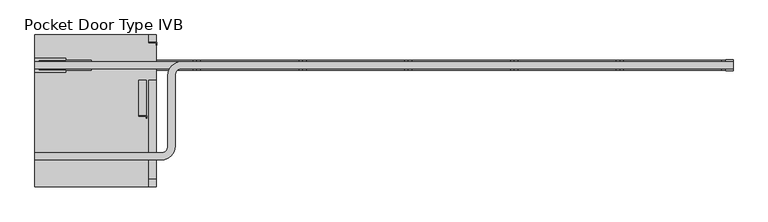
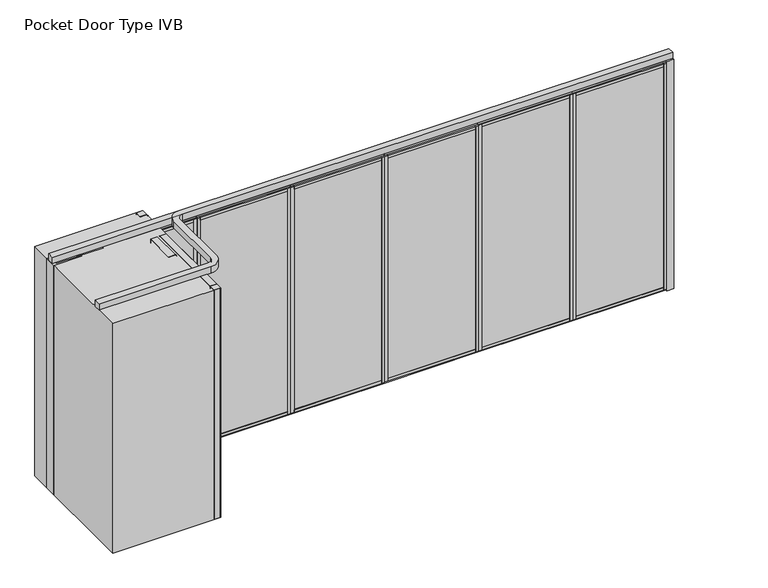
"""IFC4 building model written with IfcOpenShell, lengths in millimetres: proxy geometry, Pocket Door Type IVB."""

from ifc_helpers import new_model, si_unit, point, frame, frame_2d, origin, origin_with_axes, place, context, project, spatial, polyline, circle_curve, trimmed, segment, composite_curve, outline, extrude, source, transform, mapped, element, save


def pocket_door_type_ivb_529089bf(model_context):
    return source(origin(), model_context, "Body", "SweptSolid", [
        extrude(outline(polyline([(3361.736883, 34.13125), (4423.2452164, 34.13125), (4423.2452164, -34.13125), (3361.736883, -34.13125), (3361.736883, 34.13125)])), origin_with_axes(), (0.0, 0.0, 1.0), 22.225),
        extrude(outline(polyline([(3361.736883, 34.13125), (4423.2452164, 34.13125), (4423.2452164, -34.13125), (3361.736883, -34.13125), (3361.736883, 34.13125)])), frame((0.0, 0.0, 2720.975), z_axis=(0.0, 0.0, 1.0), x_axis=(1.0, 0.0, 0.0)), (0.0, 0.0, 1.0), 22.225),
        extrude(outline(polyline([(3396.915883, -50.8), (3361.990883, -50.8), (3361.990883, 50.8), (3396.915883, 50.8), (3396.915883, -50.8)])), frame((0.0, 0.0, 22.225), z_axis=(0.0, 0.0, 1.0), x_axis=(1.0, 0.0, 0.0)), (0.0, 0.0, 1.0), 2698.75),
        extrude(outline(polyline([(4388.0662164, -50.8), (4388.0662164, 50.8), (4422.9912164, 50.8), (4422.9912164, -50.8), (4388.0662164, -50.8)])), frame((0.0, 0.0, 22.225), z_axis=(0.0, 0.0, 1.0), x_axis=(1.0, 0.0, 0.0)), (0.0, 0.0, 1.0), 2698.75),
        extrude(outline(polyline([(0.0, 9.525), (1036.1083334, 9.525), (1036.1083334, 0.0), (0.0, 0.0), (0.0, 9.525)])), frame((4410.5452164, -36.5125, 52.3875), z_axis=(0.0, 1.4530598946293796e-12, 1.0), x_axis=(-1.0, 0.0, 0.0)), (0.0, 0.0, 1.0), 2638.425),
        extrude(outline(polyline([(0.0, 7.9375), (1036.1083334, 7.9375), (1036.1083334, 0.0), (0.0, 0.0), (0.0, 7.9375)])), frame((4410.5452164, 44.45, 52.3875), z_axis=(0.0, -1.775646296664526e-12, 1.0), x_axis=(-1.0, 0.0, 0.0)), (0.0, 0.0, 1.0), 2638.425),
        extrude(outline(polyline([(36.5125, 2605.0875), (-36.5125, 2605.0875), (-36.5125, 2690.8125), (-50.8, 2690.8125), (-50.8, 2720.975), (50.8, 2720.975), (50.8, 2690.8125), (36.5125, 2690.8125), (36.5125, 2605.0875)])), frame((3396.915883, 0.0, 0.0), z_axis=(1.0, 0.0, 0.0), x_axis=(0.0, 1.0, 0.0)), (0.0, 0.0, 1.0), 991.1503333),
        extrude(outline(polyline([(50.8, 22.225), (-50.8, 22.225), (-50.8, 52.3875), (-36.5125, 52.3875), (-36.5125, 138.1125), (36.5125, 138.1125), (36.5125, 52.3875), (50.8, 52.3875), (50.8, 22.225)])), frame((3396.915883, 0.0, 0.0), z_axis=(1.0, 0.0, 0.0), x_axis=(0.0, 1.0, 0.0)), (0.0, 0.0, 1.0), 991.1503333),
        extrude(outline(polyline([(2300.2285497, 34.13125), (3361.736883, 34.13125), (3361.736883, -34.13125), (2300.2285497, -34.13125), (2300.2285497, 34.13125)])), origin_with_axes(), (0.0, 0.0, 1.0), 22.225),
        extrude(outline(polyline([(2300.2285497, 34.13125), (3361.736883, 34.13125), (3361.736883, -34.13125), (2300.2285497, -34.13125), (2300.2285497, 34.13125)])), frame((0.0, 0.0, 2720.975), z_axis=(0.0, 0.0, 1.0), x_axis=(1.0, 0.0, 0.0)), (0.0, 0.0, 1.0), 22.225),
        extrude(outline(polyline([(2335.4075497, -50.8), (2300.4825497, -50.8), (2300.4825497, 50.8), (2335.4075497, 50.8), (2335.4075497, -50.8)])), frame((0.0, 0.0, 22.225), z_axis=(0.0, 0.0, 1.0), x_axis=(1.0, 0.0, 0.0)), (0.0, 0.0, 1.0), 2698.75),
        extrude(outline(polyline([(3326.557883, -50.8), (3326.557883, 50.8), (3361.482883, 50.8), (3361.482883, -50.8), (3326.557883, -50.8)])), frame((0.0, 0.0, 22.225), z_axis=(0.0, 0.0, 1.0), x_axis=(1.0, 0.0, 0.0)), (0.0, 0.0, 1.0), 2698.75),
        extrude(outline(polyline([(0.0, 9.525), (1036.1083333, 9.525), (1036.1083333, 0.0), (0.0, 0.0), (0.0, 9.525)])), frame((3349.036883, -36.5125, 52.3875), z_axis=(0.0, 1.4530598946293796e-12, 1.0), x_axis=(-1.0, 0.0, 0.0)), (0.0, 0.0, 1.0), 2638.425),
        extrude(outline(polyline([(0.0, 7.9375), (1036.1083333, 7.9375), (1036.1083333, 0.0), (0.0, 0.0), (0.0, 7.9375)])), frame((3349.036883, 44.45, 52.3875), z_axis=(0.0, -1.775646296664526e-12, 1.0), x_axis=(-1.0, 0.0, 0.0)), (0.0, 0.0, 1.0), 2638.425),
        extrude(outline(polyline([(36.5125, 2605.0875), (-36.5125, 2605.0875), (-36.5125, 2690.8125), (-50.8, 2690.8125), (-50.8, 2720.975), (50.8, 2720.975), (50.8, 2690.8125), (36.5125, 2690.8125), (36.5125, 2605.0875)])), frame((2335.4075497, 0.0, 0.0), z_axis=(1.0, 0.0, 0.0), x_axis=(0.0, 1.0, 0.0)), (0.0, 0.0, 1.0), 991.1503333),
        extrude(outline(polyline([(50.8, 22.225), (-50.8, 22.225), (-50.8, 52.3875), (-36.5125, 52.3875), (-36.5125, 138.1125), (36.5125, 138.1125), (36.5125, 52.3875), (50.8, 52.3875), (50.8, 22.225)])), frame((2335.4075497, 0.0, 0.0), z_axis=(1.0, 0.0, 0.0), x_axis=(0.0, 1.0, 0.0)), (0.0, 0.0, 1.0), 991.1503333),
        extrude(outline(polyline([(1238.7202164, 34.13125), (2300.2285497, 34.13125), (2300.2285497, -34.13125), (1238.7202164, -34.13125), (1238.7202164, 34.13125)])), origin_with_axes(), (0.0, 0.0, 1.0), 22.225),
        extrude(outline(polyline([(1238.7202164, 34.13125), (2300.2285497, 34.13125), (2300.2285497, -34.13125), (1238.7202164, -34.13125), (1238.7202164, 34.13125)])), frame((0.0, 0.0, 2720.975), z_axis=(0.0, 0.0, 1.0), x_axis=(1.0, 0.0, 0.0)), (0.0, 0.0, 1.0), 22.225),
        extrude(outline(polyline([(1273.8992164, -50.8), (1238.9742164, -50.8), (1238.9742164, 50.8), (1273.8992164, 50.8), (1273.8992164, -50.8)])), frame((0.0, 0.0, 22.225), z_axis=(0.0, 0.0, 1.0), x_axis=(1.0, 0.0, 0.0)), (0.0, 0.0, 1.0), 2698.75),
        extrude(outline(polyline([(2265.0495497, -50.8), (2265.0495497, 50.8), (2299.9745497, 50.8), (2299.9745497, -50.8), (2265.0495497, -50.8)])), frame((0.0, 0.0, 22.225), z_axis=(0.0, 0.0, 1.0), x_axis=(1.0, 0.0, 0.0)), (0.0, 0.0, 1.0), 2698.75),
        extrude(outline(polyline([(0.0, 9.525), (1036.1083333, 9.525), (1036.1083333, 0.0), (0.0, 0.0), (0.0, 9.525)])), frame((2287.5285497, -36.5125, 52.3875), z_axis=(0.0, 1.4530598946293796e-12, 1.0), x_axis=(-1.0, 0.0, 0.0)), (0.0, 0.0, 1.0), 2638.425),
        extrude(outline(polyline([(0.0, 7.9375), (1036.1083333, 7.9375), (1036.1083333, 0.0), (0.0, 0.0), (0.0, 7.9375)])), frame((2287.5285497, 44.45, 52.3875), z_axis=(0.0, -1.775646296664526e-12, 1.0), x_axis=(-1.0, 0.0, 0.0)), (0.0, 0.0, 1.0), 2638.425),
        extrude(outline(polyline([(36.5125, 2605.0875), (-36.5125, 2605.0875), (-36.5125, 2690.8125), (-50.8, 2690.8125), (-50.8, 2720.975), (50.8, 2720.975), (50.8, 2690.8125), (36.5125, 2690.8125), (36.5125, 2605.0875)])), frame((1273.8992164, 0.0, 0.0), z_axis=(1.0, 0.0, 0.0), x_axis=(0.0, 1.0, 0.0)), (0.0, 0.0, 1.0), 991.1503333),
        extrude(outline(polyline([(50.8, 22.225), (-50.8, 22.225), (-50.8, 52.3875), (-36.5125, 52.3875), (-36.5125, 138.1125), (36.5125, 138.1125), (36.5125, 52.3875), (50.8, 52.3875), (50.8, 22.225)])), frame((1273.8992164, 0.0, 0.0), z_axis=(1.0, 0.0, 0.0), x_axis=(0.0, 1.0, 0.0)), (0.0, 0.0, 1.0), 991.1503333),
        extrude(outline(polyline([(177.211883, 34.13125), (1238.7202164, 34.13125), (1238.7202164, -34.13125), (177.211883, -34.13125), (177.211883, 34.13125)])), origin_with_axes(), (0.0, 0.0, 1.0), 22.225),
        extrude(outline(polyline([(177.211883, 34.13125), (1238.7202164, 34.13125), (1238.7202164, -34.13125), (177.211883, -34.13125), (177.211883, 34.13125)])), frame((0.0, 0.0, 2720.975), z_axis=(0.0, 0.0, 1.0), x_axis=(1.0, 0.0, 0.0)), (0.0, 0.0, 1.0), 22.225),
        extrude(outline(polyline([(212.390883, -50.8), (177.465883, -50.8), (177.465883, 50.8), (212.390883, 50.8), (212.390883, -50.8)])), frame((0.0, 0.0, 22.225), z_axis=(0.0, 0.0, 1.0), x_axis=(1.0, 0.0, 0.0)), (0.0, 0.0, 1.0), 2698.75),
        extrude(outline(polyline([(1203.5412164, -50.8), (1203.5412164, 50.8), (1238.4662164, 50.8), (1238.4662164, -50.8), (1203.5412164, -50.8)])), frame((0.0, 0.0, 22.225), z_axis=(0.0, 0.0, 1.0), x_axis=(1.0, 0.0, 0.0)), (0.0, 0.0, 1.0), 2698.75),
        extrude(outline(polyline([(0.0, 9.525), (1036.1083334, 9.525), (1036.1083334, 0.0), (0.0, 0.0), (0.0, 9.525)])), frame((1226.0202164, -36.5125, 52.3875), z_axis=(0.0, 1.4530598946293796e-12, 1.0), x_axis=(-1.0, 0.0, 0.0)), (0.0, 0.0, 1.0), 2638.425),
        extrude(outline(polyline([(0.0, 7.9375), (1036.1083334, 7.9375), (1036.1083334, 0.0), (0.0, 0.0), (0.0, 7.9375)])), frame((1226.0202164, 44.45, 52.3875), z_axis=(0.0, -1.775646296664526e-12, 1.0), x_axis=(-1.0, 0.0, 0.0)), (0.0, 0.0, 1.0), 2638.425),
        extrude(outline(polyline([(36.5125, 2605.0875), (-36.5125, 2605.0875), (-36.5125, 2690.8125), (-50.8, 2690.8125), (-50.8, 2720.975), (50.8, 2720.975), (50.8, 2690.8125), (36.5125, 2690.8125), (36.5125, 2605.0875)])), frame((212.390883, 0.0, 0.0), z_axis=(1.0, 0.0, 0.0), x_axis=(0.0, 1.0, 0.0)), (0.0, 0.0, 1.0), 991.1503333),
        extrude(outline(polyline([(50.8, 22.225), (-50.8, 22.225), (-50.8, 52.3875), (-36.5125, 52.3875), (-36.5125, 138.1125), (36.5125, 138.1125), (36.5125, 52.3875), (50.8, 52.3875), (50.8, 22.225)])), frame((212.390883, 0.0, 0.0), z_axis=(1.0, 0.0, 0.0), x_axis=(0.0, 1.0, 0.0)), (0.0, 0.0, 1.0), 991.1503333),
        extrude(outline(polyline([(4423.2452164, 34.13125), (5484.7535497, 34.13125), (5484.7535497, -34.13125), (4423.2452164, -34.13125), (4423.2452164, 34.13125)])), origin_with_axes(), (0.0, 0.0, 1.0), 22.225),
        extrude(outline(polyline([(4423.2452164, 34.13125), (5484.7535497, 34.13125), (5484.7535497, -34.13125), (4423.2452164, -34.13125), (4423.2452164, 34.13125)])), frame((0.0, 0.0, 2720.975), z_axis=(0.0, 0.0, 1.0), x_axis=(1.0, 0.0, 0.0)), (0.0, 0.0, 1.0), 22.225),
        extrude(outline(polyline([(4458.4242164, -50.8), (4423.4992164, -50.8), (4423.4992164, 50.8), (4458.4242164, 50.8), (4458.4242164, -50.8)])), frame((0.0, 0.0, 22.225), z_axis=(0.0, 0.0, 1.0), x_axis=(1.0, 0.0, 0.0)), (0.0, 0.0, 1.0), 2698.75),
        extrude(outline(polyline([(5449.5745497, -50.8), (5449.5745497, 50.8), (5484.4995497, 50.8), (5484.4995497, -50.8), (5449.5745497, -50.8)])), frame((0.0, 0.0, 22.225), z_axis=(0.0, 0.0, 1.0), x_axis=(1.0, 0.0, 0.0)), (0.0, 0.0, 1.0), 2698.75),
        extrude(outline(polyline([(0.0, 9.525), (1036.1083333, 9.525), (1036.1083333, 0.0), (0.0, 0.0), (0.0, 9.525)])), frame((5472.0535497, -36.5125, 52.3875), z_axis=(0.0, 1.4530598946293796e-12, 1.0), x_axis=(-1.0, 0.0, 0.0)), (0.0, 0.0, 1.0), 2638.425),
        extrude(outline(polyline([(0.0, 7.9375), (1036.1083333, 7.9375), (1036.1083333, 0.0), (0.0, 0.0), (0.0, 7.9375)])), frame((5472.0535497, 44.45, 52.3875), z_axis=(0.0, -1.775646296664526e-12, 1.0), x_axis=(-1.0, 0.0, 0.0)), (0.0, 0.0, 1.0), 2638.425),
        extrude(outline(polyline([(36.5125, 2605.0875), (-36.5125, 2605.0875), (-36.5125, 2690.8125), (-50.8, 2690.8125), (-50.8, 2720.975), (50.8, 2720.975), (50.8, 2690.8125), (36.5125, 2690.8125), (36.5125, 2605.0875)])), frame((4458.4242164, 0.0, 0.0), z_axis=(1.0, 0.0, 0.0), x_axis=(0.0, 1.0, 0.0)), (0.0, 0.0, 1.0), 991.1503333),
        extrude(outline(polyline([(50.8, 22.225), (-50.8, 22.225), (-50.8, 52.3875), (-36.5125, 52.3875), (-36.5125, 138.1125), (36.5125, 138.1125), (36.5125, 52.3875), (50.8, 52.3875), (50.8, 22.225)])), frame((4458.4242164, 0.0, 0.0), z_axis=(1.0, 0.0, 0.0), x_axis=(0.0, 1.0, 0.0)), (0.0, 0.0, 1.0), 991.1503333),
        extrude(outline(polyline([(-331.8464503, -511.175), (-408.0464503, -511.175), (-408.0464503, -508.0), (-328.6714503, -508.0), (-328.6714503, -533.4), (-331.8464503, -533.4), (-331.8464503, -511.175)])), origin_with_axes(), (0.0, 0.0, 1.0), 2743.2),
        extrude(outline(composite_curve([segment(polyline([(-408.0464503, -505.6667931), (-408.0464503, -154.7332069)]), True, "CONTINUOUS"), segment(trimmed(circle_curve(frame_2d((-405.7132434, -154.7332069)), 2.3332069), [point((-408.0464503, -154.7332069))], [point((-405.7132434, -152.4))], False, "CARTESIAN"), True, "CONTINUOUS"), segment(polyline([(-405.7132434, -152.4), (-334.1796571, -152.4)]), True, "CONTINUOUS"), segment(trimmed(circle_curve(frame_2d((-334.1796571, -154.7332069)), 2.3332069), [point((-334.1796571, -152.4))], [point((-331.8464503, -154.7332069))], False, "CARTESIAN"), True, "CONTINUOUS"), segment(polyline([(-331.8464503, -154.7332069), (-331.8464503, -505.6667931)]), True, "CONTINUOUS"), segment(trimmed(circle_curve(frame_2d((-334.1796571, -505.6667931)), 2.3332069), [point((-331.8464503, -505.6667931))], [point((-334.1796571, -508.0))], False, "CARTESIAN"), True, "CONTINUOUS"), segment(polyline([(-334.1796571, -508.0), (-405.7132434, -508.0)]), True, "CONTINUOUS"), segment(trimmed(circle_curve(frame_2d((-405.7132434, -505.6667931)), 2.3332069), [point((-405.7132434, -508.0))], [point((-408.0464503, -505.6667931))], False, "CARTESIAN"), True, "CONTINUOUS")], self_intersect=False)), origin_with_axes(), (0.0, 0.0, 1.0), 2743.2),
        extrude(outline(polyline([(-230.2464503, 225.425), (-306.4464503, 225.425), (-306.4464503, 228.6), (-227.0714503, 228.6), (-227.0714503, 203.2), (-230.2464503, 203.2), (-230.2464503, 225.425)])), origin_with_axes(), (0.0, 0.0, 1.0), 2743.2),
        extrude(outline(composite_curve([segment(polyline([(-230.2464503, 302.4667931), (-230.2464503, 230.9332069)]), True, "CONTINUOUS"), segment(trimmed(circle_curve(frame_2d((-232.5796571, 230.9332069)), 2.3332069), [point((-230.2464503, 230.9332069))], [point((-232.5796571, 228.6))], False, "CARTESIAN"), True, "CONTINUOUS"), segment(polyline([(-232.5796571, 228.6), (-304.1132434, 228.6)]), True, "CONTINUOUS"), segment(trimmed(circle_curve(frame_2d((-304.1132434, 230.9332069)), 2.3332069), [point((-304.1132434, 228.6))], [point((-306.4464503, 230.9332069))], False, "CARTESIAN"), True, "CONTINUOUS"), segment(polyline([(-306.4464503, 230.9332069), (-306.4464503, 302.4667931)]), True, "CONTINUOUS"), segment(trimmed(circle_curve(frame_2d((-304.1132434, 302.4667931)), 2.3332069), [point((-306.4464503, 302.4667931))], [point((-304.1132434, 304.8))], False, "CARTESIAN"), True, "CONTINUOUS"), segment(polyline([(-304.1132434, 304.8), (-232.5796571, 304.8)]), True, "CONTINUOUS"), segment(trimmed(circle_curve(frame_2d((-232.5796571, 302.4667931)), 2.3332069), [point((-232.5796571, 304.8))], [point((-230.2464503, 302.4667931))], False, "CARTESIAN"), True, "CONTINUOUS")], self_intersect=False)), origin_with_axes(), (0.0, 0.0, 1.0), 2743.2),
        extrude(outline(composite_curve([segment(polyline([(-230.2464503, -1145.3332069), (-230.2464503, -1216.8667931)]), True, "CONTINUOUS"), segment(trimmed(circle_curve(frame_2d((-232.5796571, -1216.8667931)), 2.3332069), [point((-230.2464503, -1216.8667931))], [point((-232.5796571, -1219.2))], False, "CARTESIAN"), True, "CONTINUOUS"), segment(polyline([(-232.5796571, -1219.2), (-304.1132434, -1219.2)]), True, "CONTINUOUS"), segment(trimmed(circle_curve(frame_2d((-304.1132434, -1216.8667931)), 2.3332069), [point((-304.1132434, -1219.2))], [point((-306.4464503, -1216.8667931))], False, "CARTESIAN"), True, "CONTINUOUS"), segment(polyline([(-306.4464503, -1216.8667931), (-306.4464503, -1145.3332069)]), True, "CONTINUOUS"), segment(trimmed(circle_curve(frame_2d((-304.1132434, -1145.3332069)), 2.3332069), [point((-306.4464503, -1145.3332069))], [point((-304.1132434, -1143.0))], False, "CARTESIAN"), True, "CONTINUOUS"), segment(polyline([(-304.1132434, -1143.0), (-232.5796571, -1143.0)]), True, "CONTINUOUS"), segment(trimmed(circle_curve(frame_2d((-232.5796571, -1145.3332069)), 2.3332069), [point((-232.5796571, -1143.0))], [point((-230.2464503, -1145.3332069))], False, "CARTESIAN"), True, "CONTINUOUS")], self_intersect=False)), origin_with_axes(), (0.0, 0.0, 1.0), 2743.2),
        extrude(outline(composite_curve([segment(polyline([(-230.2464503, -154.7332069), (-230.2464503, -1140.6667931)]), True, "CONTINUOUS"), segment(trimmed(circle_curve(frame_2d((-232.5796571, -1140.6667931)), 2.3332069), [point((-230.2464503, -1140.6667931))], [point((-232.5796571, -1143.0))], False, "CARTESIAN"), True, "CONTINUOUS"), segment(polyline([(-232.5796571, -1143.0), (-304.1132434, -1143.0)]), True, "CONTINUOUS"), segment(trimmed(circle_curve(frame_2d((-304.1132434, -1140.6667931)), 2.3332069), [point((-304.1132434, -1143.0))], [point((-306.4464503, -1140.6667931))], False, "CARTESIAN"), True, "CONTINUOUS"), segment(polyline([(-306.4464503, -1140.6667931), (-306.4464503, -154.7332069)]), True, "CONTINUOUS"), segment(trimmed(circle_curve(frame_2d((-304.1132434, -154.7332069)), 2.3332069), [point((-306.4464503, -154.7332069))], [point((-304.1132434, -152.4))], False, "CARTESIAN"), True, "CONTINUOUS"), segment(polyline([(-304.1132434, -152.4), (-232.5796571, -152.4)]), True, "CONTINUOUS"), segment(trimmed(circle_curve(frame_2d((-232.5796571, -154.7332069)), 2.3332069), [point((-232.5796571, -152.4))], [point((-230.2464503, -154.7332069))], False, "CARTESIAN"), True, "CONTINUOUS")], self_intersect=False)), origin_with_axes(), (0.0, 0.0, 1.0), 2743.2),
        extrude(outline(polyline([(-1138.2964503, -68.2625), (-1449.4464503, -68.2625), (-1449.4464503, 68.2625), (-1138.2964503, 68.2625), (-1138.2964503, 50.8), (-1411.3464503, 50.8), (-1411.3464503, -50.8), (-1138.2964503, -50.8), (-1138.2964503, -68.2625)])), origin_with_axes(), (0.0, 0.0, 1.0), 2743.2),
        extrude(outline(polyline([(-884.2964503, -50.8), (-1182.7464503, -50.8), (-1182.7464503, 50.8), (-884.2964503, 50.8), (-884.2964503, -50.8)])), origin_with_axes(), (0.0, 0.0, 1.0), 2743.2),
        extrude(outline(polyline([(5560.9535497, -53.975), (5484.7535497, -53.975), (5484.7535497, 53.975), (5560.9535497, 53.975), (5560.9535497, -53.975)])), origin_with_axes(), (0.0, 0.0, 1.0), 2743.2),
        extrude(outline(polyline([(-884.2964503, 34.13125), (177.211883, 34.13125), (177.211883, -34.13125), (-884.2964503, -34.13125), (-884.2964503, 34.13125)])), origin_with_axes(), (0.0, 0.0, 1.0), 22.225),
        extrude(outline(polyline([(-884.2964503, 34.13125), (177.211883, 34.13125), (177.211883, -34.13125), (-884.2964503, -34.13125), (-884.2964503, 34.13125)])), frame((0.0, 0.0, 2720.975), z_axis=(0.0, 0.0, 1.0), x_axis=(1.0, 0.0, 0.0)), (0.0, 0.0, 1.0), 22.225),
        extrude(outline(polyline([(-849.1174503, -50.8), (-884.0424503, -50.8), (-884.0424503, 50.8), (-849.1174503, 50.8), (-849.1174503, -50.8)])), frame((0.0, 0.0, 22.225), z_axis=(0.0, 0.0, 1.0), x_axis=(1.0, 0.0, 0.0)), (0.0, 0.0, 1.0), 2698.75),
        extrude(outline(polyline([(142.032883, -50.8), (142.032883, 50.8), (176.957883, 50.8), (176.957883, -50.8), (142.032883, -50.8)])), frame((0.0, 0.0, 22.225), z_axis=(0.0, 0.0, 1.0), x_axis=(1.0, 0.0, 0.0)), (0.0, 0.0, 1.0), 2698.75),
        extrude(outline(polyline([(0.0, 9.525), (1036.1083333, 9.525), (1036.1083333, 0.0), (0.0, 0.0), (0.0, 9.525)])), frame((164.511883, -36.5125, 52.3875), z_axis=(0.0, 1.4530598946293796e-12, 1.0), x_axis=(-1.0, 0.0, 0.0)), (0.0, 0.0, 1.0), 2638.425),
        extrude(outline(polyline([(0.0, 7.9375), (1036.1083333, 7.9375), (1036.1083333, 0.0), (0.0, 0.0), (0.0, 7.9375)])), frame((164.511883, 44.45, 52.3875), z_axis=(0.0, -1.775646296664526e-12, 1.0), x_axis=(-1.0, 0.0, 0.0)), (0.0, 0.0, 1.0), 2638.425),
        extrude(outline(polyline([(36.5125, 2605.0875), (-36.5125, 2605.0875), (-36.5125, 2690.8125), (-50.8, 2690.8125), (-50.8, 2720.975), (50.8, 2720.975), (50.8, 2690.8125), (36.5125, 2690.8125), (36.5125, 2605.0875)])), frame((-849.1174503, 0.0, 0.0), z_axis=(1.0, 0.0, 0.0), x_axis=(0.0, 1.0, 0.0)), (0.0, 0.0, 1.0), 991.1503333),
        extrude(outline(polyline([(50.8, 22.225), (-50.8, 22.225), (-50.8, 52.3875), (-36.5125, 52.3875), (-36.5125, 138.1125), (36.5125, 138.1125), (36.5125, 52.3875), (50.8, 52.3875), (50.8, 22.225)])), frame((-849.1174503, 0.0, 0.0), z_axis=(1.0, 0.0, 0.0), x_axis=(0.0, 1.0, 0.0)), (0.0, 0.0, 1.0), 991.1503333),
        extrude(outline(composite_curve([segment(polyline([(5560.9535497, -35.71875), (23.7535497, -35.71875)]), True, "CONTINUOUS"), segment(trimmed(circle_curve(frame_2d((23.7535497, -101.6)), 65.88125), [point((23.7535497, -35.71875))], [point((-42.1277003, -101.6))], True, "CARTESIAN"), True, "CONTINUOUS"), segment(polyline([(-42.1277003, -101.6), (-42.1277003, -812.8)]), True, "CONTINUOUS"), segment(trimmed(circle_curve(frame_2d((-179.4464503, -812.8)), 137.31875), [point((-42.1277003, -812.8))], [point((-179.4464503, -950.11875))], False, "CARTESIAN"), True, "CONTINUOUS"), segment(polyline([(-179.4464503, -950.11875), (-1449.4464503, -950.11875), (-1449.4464503, -878.68125), (-179.4464503, -878.68125)]), True, "CONTINUOUS"), segment(trimmed(circle_curve(frame_2d((-179.4464503, -812.8)), 65.88125), [point((-179.4464503, -878.68125))], [point((-113.5652003, -812.8))], True, "CARTESIAN"), True, "CONTINUOUS"), segment(polyline([(-113.5652003, -812.8), (-113.5652003, -101.6)]), True, "CONTINUOUS"), segment(trimmed(circle_curve(frame_2d((23.7535497, -101.6)), 137.31875), [point((-113.5652003, -101.6))], [point((23.7535497, 35.71875))], False, "CARTESIAN"), True, "CONTINUOUS"), segment(polyline([(23.7535497, 35.71875), (5560.9535497, 35.71875), (5560.9535497, -35.71875)]), True, "CONTINUOUS")], self_intersect=False)), frame((0.0, 0.0, 2743.2), z_axis=(0.0, 0.0, 1.0), x_axis=(1.0, 0.0, 0.0)), (0.0, 0.0, 1.0), 74.6125),
        extrude(outline(polyline([(177.211883, -35.71875), (-1449.4464503, -35.71875), (-1449.4464503, 35.71875), (177.211883, 35.71875), (177.211883, -35.71875)])), frame((0.0, 0.0, 2743.2), z_axis=(0.0, 0.0, 1.0), x_axis=(1.0, 0.0, 0.0)), (0.0, 0.0, 1.0), 74.6125),
        extrude(outline(polyline([(-230.2464503, 304.8), (-230.2464503, -1219.2), (-1449.4464503, -1219.2), (-1449.4464503, 304.8), (-230.2464503, 304.8)])), origin_with_axes(), (0.0, 0.0, 1.0), 2743.2),
    ])


if __name__ == "__main__":
    model = new_model("IFC4")
    model_context = context("Model", 3, world=origin())
    ifc_project = project(units=[si_unit("LENGTHUNIT", "METRE", prefix="MILLI")], contexts=[model_context])
    site = spatial("IfcSite", under=ifc_project)
    building = spatial("IfcBuilding", under=site)
    placement = place(None, origin())
    pocket_door_type_ivb_shape = pocket_door_type_ivb_529089bf(model_context)
    element("IfcBuildingElementProxy", 1, Name="Pocket Door Type IVB", ObjectType="Pocket Door Type IVB", at=placement, inside=building, context=model_context, shape_type="MappedRepresentation", body=[
        mapped(pocket_door_type_ivb_shape, transform((0.0, 0.0, 0.0), x_axis=(1.0, 0.0, 0.0), y_axis=(0.0, 1.0, 0.0), z_axis=(0.0, 0.0, 1.0))),
    ])
    save(model, "model.ifc")
